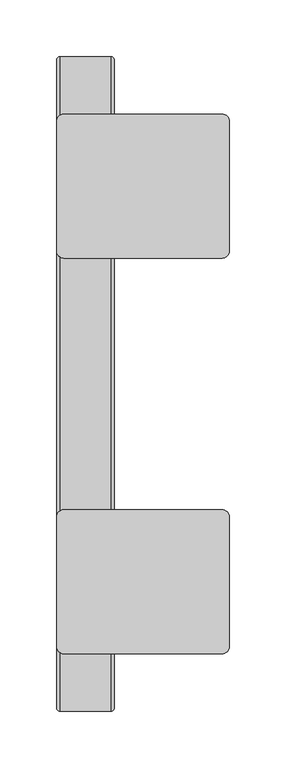
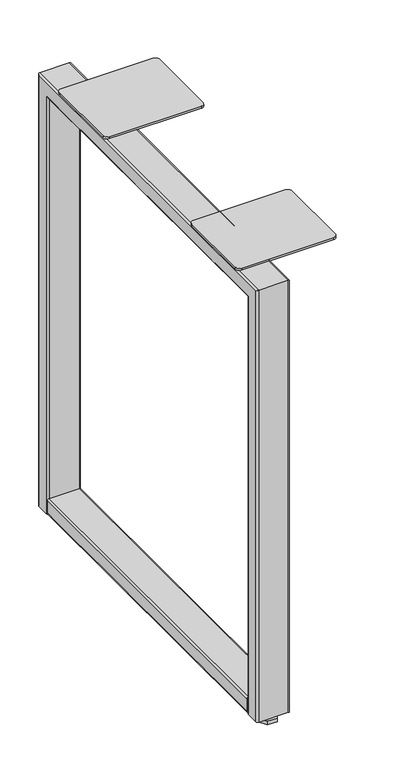
"""IFC4 building model written with IfcOpenShell, lengths in millimetres: furniture geometry."""

from ifc_helpers import new_model, si_unit, point, frame, frame_2d, origin, origin_with_axes, place, context, project, spatial, polyline, circle_curve, ellipse_curve, trimmed, segment, composite_curve, outline, extrude, source, transform, mapped, element, save
from ifc_brep_helpers import plane_surface, cylinder_surface, advanced_brep


def furniture_c27c7276(model_context):
    return source(origin(), model_context, "Body", "SolidModel", [
        extrude(outline(polyline([(37.813262, -592.0946294), (45.1465239, -604.7962117), (37.813262, -617.497794), (23.146738, -617.497794), (15.8134761, -604.7962117), (23.146738, -592.0946294), (37.813262, -592.0946294)])), origin_with_axes(), (0.0, 0.0, 1.0), 5.5879998),
        extrude(outline(polyline([(37.8123494, -46.2533875), (45.1446988, -58.9533893), (37.8123494, -71.653391), (23.1476506, -71.653391), (15.8153012, -58.9533893), (23.1476506, -46.2533875), (37.8123494, -46.2533875)])), origin_with_axes(), (0.0, 0.0, 1.0), 5.5879998),
        extrude(outline(polyline([(32.8621655, -54.8273575), (35.2443311, -58.9533893), (32.8621655, -63.079421), (28.0978345, -63.079421), (25.7156689, -58.9533893), (28.0978345, -54.8273575), (32.8621655, -54.8273575)])), origin_with_axes(), (0.0, 0.0, 1.0), 68.199153),
        extrude(outline(polyline([(32.8612504, -600.6717651), (35.2425008, -604.7962117), (32.8612504, -608.9206584), (28.0987496, -608.9206584), (25.7174992, -604.7962117), (28.0987496, -600.6717651), (32.8612504, -600.6717651)])), origin_with_axes(), (0.0, 0.0, 1.0), 68.199153),
        extrude(outline(composite_curve([segment(polyline([(37.2236999, 53.1114001), (37.2236999, 7.8485992)]), True, "CONTINUOUS"), segment(trimmed(circle_curve(frame_2d((34.4551008, 7.8485992)), 2.7685992), [point((37.2236999, 7.8485992))], [point((34.4551008, 5.08))], False, "CARTESIAN"), True, "CONTINUOUS"), segment(polyline([(34.4551008, 5.08), (14.5922995, 5.08)]), True, "CONTINUOUS"), segment(trimmed(circle_curve(frame_2d((14.5922995, 7.8485992)), 2.7685992), [point((14.5922995, 5.08))], [point((11.8237003, 7.8485992))], False, "CARTESIAN"), True, "CONTINUOUS"), segment(polyline([(11.8237003, 7.8485992), (11.8237003, 53.111432)]), True, "CONTINUOUS"), segment(trimmed(circle_curve(frame_2d((14.5922684, 53.111432)), 2.768568), [point((11.8237003, 53.111432))], [point((14.5922684, 55.88))], False, "CARTESIAN"), True, "CONTINUOUS"), segment(polyline([(14.5922684, 55.88), (34.4551, 55.88)]), True, "CONTINUOUS"), segment(trimmed(circle_curve(frame_2d((34.4551, 53.1114001)), 2.7685999), [point((34.4551, 55.88))], [point((37.2236999, 53.1114001))], False, "CARTESIAN"), True, "CONTINUOUS")], self_intersect=False)), frame((0.0, -595.1474, 0.0), z_axis=(0.0, 1.0, 0.0), x_axis=(0.0, 0.0, 1.0)), (0.0, 0.0, 1.0), 526.542),
        advanced_brep(
        [(7.8485901, -620.8014, 11.8237003), (5.08, -618.0328099, 11.8237003), (5.08, -598.1700098, 11.8237003), (7.8486105, -595.4013992, 11.8237003), (53.1114046, -595.4013992, 11.8237003), (55.8799992, -598.1699939, 11.8237003), (55.8800083, -618.0328236, 11.8237003), (53.111432, -620.8014, 11.8237003), (7.8485901, -620.8014, 707.7956896), (5.08, -618.0328099, 705.0270995), (5.08, -45.7199901, 705.0270995), (5.08, -45.7199901, 11.8237003), (5.08, -65.5827902, 11.8237003), (5.08, -65.5827902, 685.1642994), (5.08, -598.1700098, 685.1642994), (7.8486105, -595.4013992, 682.3956889), (53.1114046, -595.4013992, 682.3956889), (55.8799992, -598.1699939, 685.1642835), (55.8800083, -65.5827993, 685.1642903), (55.8800083, -65.5827993, 11.8237003), (55.8800083, -45.7199764, 11.8237003), (55.8800083, -45.7199764, 705.0271132), (55.8800083, -618.0328236, 705.0271132), (53.111432, -620.8014, 707.7956896), (7.8485901, -42.9514, 707.7956896), (7.8486105, -68.3514008, 682.3956889), (53.1114046, -68.3514008, 682.3956889), (53.111432, -42.9514, 707.7956896), (7.8485901, -42.9514, 11.8237003), (53.111432, -42.9514, 11.8237003), (53.1114046, -68.3514008, 11.8237003), (7.8486105, -68.3514008, 11.8237003)],
        [
            (0, 1, circle_curve(frame((7.8485901, -618.0328099, 11.8237003), z_axis=(0.0, 0.0, -1.0), x_axis=(1.0, 0.0, 0.0)), 2.7685901)),
            (1, 2),
            (2, 3, circle_curve(frame((7.8486105, -598.1700098, 11.8237003), z_axis=(0.0, 0.0, -1.0), x_axis=(1.0, 0.0, 0.0)), 2.7686105)),
            (3, 4),
            (4, 5, circle_curve(frame((53.1114046, -598.1699939, 11.8237003), z_axis=(0.0, 0.0, -1.0), x_axis=(1.0, 0.0, 0.0)), 2.7685946)),
            (5, 6),
            (6, 7, circle_curve(frame((53.111432, -618.0328236, 11.8237003), z_axis=(0.0, 0.0, -1.0), x_axis=(1.0, 0.0, 0.0)), 2.7685764)),
            (7, 0),
            (0, 8),
            (8, 9, ellipse_curve(frame((7.8485901, -618.0328099, 705.0270995), z_axis=(0.0, -0.7071067811865476, -0.7071067811865475), x_axis=(0.0, 0.7071067811865474, -0.7071067811865476)), 3.9153777, 2.7685901)),
            (9, 1),
            (9, 10),
            (10, 11),
            (11, 12),
            (12, 13),
            (13, 14),
            (14, 2),
            (14, 15, ellipse_curve(frame((7.8486105, -598.1700098, 685.1642994), z_axis=(0.0, -0.7071067811865476, -0.7071067811865475), x_axis=(0.0, 0.7071067811865474, -0.7071067811865476)), 3.9154066, 2.7686105)),
            (15, 3),
            (15, 16),
            (16, 4),
            (16, 17, ellipse_curve(frame((53.1114046, -598.1699939, 685.1642835), z_axis=(0.0, -0.7071067811865476, -0.7071067811865475), x_axis=(0.0, 0.7071067811865474, -0.7071067811865476)), 3.9153841, 2.7685946)),
            (17, 5),
            (17, 18),
            (18, 19),
            (19, 20),
            (20, 21),
            (21, 22),
            (22, 6),
            (22, 23, ellipse_curve(frame((53.111432, -618.0328236, 705.0271132), z_axis=(0.0, -0.7071067811865476, -0.7071067811865475), x_axis=(0.0, 0.7071067811865474, -0.7071067811865476)), 3.9153583, 2.7685764)),
            (23, 7),
            (23, 8),
            (8, 24),
            (24, 10, ellipse_curve(frame((7.8485901, -45.7199901, 705.0270995), z_axis=(0.0, -0.7071067811865649, 0.70710678118653), x_axis=(0.0, -0.7071067811865303, -0.7071067811865648)), 3.9153777, 2.7685901)),
            (13, 25, ellipse_curve(frame((7.8486105, -65.5827902, 685.1642994), z_axis=(0.0, -0.7071067811865649, 0.70710678118653), x_axis=(0.0, -0.7071067811865303, -0.7071067811865648)), 3.9154066, 2.7686105)),
            (25, 15),
            (25, 26),
            (26, 16),
            (26, 18, ellipse_curve(frame((53.1114046, -65.5828061, 685.1642835), z_axis=(0.0, -0.7071067811865649, 0.70710678118653), x_axis=(0.0, -0.7071067811865303, -0.7071067811865648)), 3.9153841, 2.7685946)),
            (21, 27, ellipse_curve(frame((53.111432, -45.7199764, 705.0271132), z_axis=(0.0, -0.7071067811865649, 0.70710678118653), x_axis=(0.0, -0.7071067811865303, -0.7071067811865648)), 3.9153583, 2.7685764)),
            (27, 23),
            (27, 24),
            (28, 29),
            (29, 20, circle_curve(frame((53.111432, -45.7199764, 11.8237003), z_axis=(0.0, 0.0, -1.0), x_axis=(1.0, 0.0, 0.0)), 2.7685764)),
            (19, 30, circle_curve(frame((53.1114046, -65.5828061, 11.8237003), z_axis=(0.0, 0.0, -1.0), x_axis=(1.0, 0.0, 0.0)), 2.7685946)),
            (30, 31),
            (31, 12, circle_curve(frame((7.8486105, -65.5827902, 11.8237003), z_axis=(0.0, 0.0, -1.0), x_axis=(1.0, 0.0, 0.0)), 2.7686105)),
            (11, 28, circle_curve(frame((7.8485901, -45.7199901, 11.8237003), z_axis=(0.0, 0.0, -1.0), x_axis=(1.0, 0.0, 0.0)), 2.7685901)),
            (24, 28),
            (31, 25),
            (30, 26),
            (29, 27),
        ],
        [
            plane_surface(frame((5.08, -620.8014, 11.8237003), z_axis=(0.0, 0.0, -1.0), x_axis=(1.0, 0.0, 0.0))),
            cylinder_surface(frame((7.8485901, -618.0328099, 11.8237003), z_axis=(0.0, 0.0, -1.0), x_axis=(1.0, 0.0, 0.0)), 2.7685901),
            plane_surface(frame((5.08, -618.0328099, 11.8237003), z_axis=(-1.0, 0.0, 0.0), x_axis=(0.0, 0.0, 1.0))),
            cylinder_surface(frame((7.8486105, -598.1700098, 11.8237003), z_axis=(0.0, 0.0, -1.0), x_axis=(1.0, 0.0, 0.0)), 2.7686105),
            plane_surface(frame((7.8486105, -595.4013992, 11.8237003), z_axis=(0.0, 1.0, 0.0), x_axis=(0.0, 0.0, 1.0))),
            cylinder_surface(frame((53.1114046, -598.1699939, 11.8237003), z_axis=(0.0, 0.0, -1.0), x_axis=(1.0, 0.0, 0.0)), 2.7685946),
            plane_surface(frame((55.8800083, -598.1700007, 11.8237003), z_axis=(1.0, 0.0, 0.0), x_axis=(0.0, 0.0, 1.0))),
            cylinder_surface(frame((53.111432, -618.0328236, 11.8237003), z_axis=(0.0, 0.0, -1.0), x_axis=(1.0, 0.0, 0.0)), 2.7685764),
            plane_surface(frame((53.111432, -620.8014, 11.8237003), z_axis=(0.0, -1.0, 0.0), x_axis=(0.0, 0.0, 1.0))),
            cylinder_surface(frame((7.8485901, -620.8014, 705.0270995), z_axis=(0.0, -1.0, 0.0), x_axis=(1.0, 0.0, 0.0)), 2.7685901),
            cylinder_surface(frame((7.8486105, -620.8014, 685.1642994), z_axis=(0.0, -1.0, 0.0), x_axis=(1.0, 0.0, 0.0)), 2.7686105),
            plane_surface(frame((7.8486105, -595.4013992, 682.3956889), z_axis=(0.0, 0.0, -1.0), x_axis=(0.0, 1.0, 0.0))),
            cylinder_surface(frame((53.1114046, -620.8014, 685.1642835), z_axis=(0.0, -1.0, 0.0), x_axis=(1.0, 0.0, 0.0)), 2.7685946),
            cylinder_surface(frame((53.111432, -620.8014, 705.0271132), z_axis=(0.0, -1.0, 0.0), x_axis=(1.0, 0.0, 0.0)), 2.7685764),
            plane_surface(frame((53.111432, -620.8014, 707.7956896), z_axis=(0.0, 0.0, 1.0), x_axis=(0.0, 1.0, 0.0))),
            plane_surface(frame((5.08, -42.9514, 11.8237003), z_axis=(0.0, 0.0, -1.0), x_axis=(1.0, 0.0, 0.0))),
            cylinder_surface(frame((7.8485901, -45.7199901, 707.7956896), z_axis=(0.0, 0.0, 1.0), x_axis=(1.0, 0.0, 0.0)), 2.7685901),
            cylinder_surface(frame((7.8486105, -65.5827902, 707.7956896), z_axis=(0.0, 0.0, 1.0), x_axis=(1.0, 0.0, 0.0)), 2.7686105),
            plane_surface(frame((7.8486105, -68.3514008, 682.3956889), z_axis=(0.0, -1.0, 0.0), x_axis=(0.0, 0.0, -1.0))),
            cylinder_surface(frame((53.1114046, -65.5828061, 707.7956896), z_axis=(0.0, 0.0, 1.0), x_axis=(1.0, 0.0, 0.0)), 2.7685946),
            cylinder_surface(frame((53.111432, -45.7199764, 707.7956896), z_axis=(0.0, 0.0, 1.0), x_axis=(1.0, 0.0, 0.0)), 2.7685764),
            plane_surface(frame((53.111432, -42.9514, 707.7956896), z_axis=(0.0, 1.0, 0.0), x_axis=(0.0, 0.0, -1.0))),
        ],
        [
            (0, [[1, 2, 3, 4, 5, 6, 7, 8]]),
            (1, [[-1, 9, 10, 11]]),
            (2, [[-2, -11, 12, 13, 14, 15, 16, 17]]),
            (3, [[-3, -17, 18, 19]]),
            (4, [[-4, -19, 20, 21]]),
            (5, [[-5, -21, 22, 23]]),
            (6, [[-6, -23, 24, 25, 26, 27, 28, 29]]),
            (7, [[-7, -29, 30, 31]]),
            (8, [[-8, -31, 32, -9]]),
            (9, [[-10, 33, 34, -12]]),
            (10, [[-18, -16, 35, 36]]),
            (11, [[-20, -36, 37, 38]]),
            (12, [[-22, -38, 39, -24]]),
            (13, [[-30, -28, 40, 41]]),
            (14, [[-32, -41, 42, -33]]),
            (15, [[43, 44, -26, 45, 46, 47, -14, 48]]),
            (16, [[-34, 49, -48, -13]]),
            (17, [[-35, -15, -47, 50]]),
            (18, [[-37, -50, -46, 51]]),
            (19, [[-39, -51, -45, -25]]),
            (20, [[-40, -27, -44, 52]]),
            (21, [[-42, -52, -43, -49]]),
        ],
    ),
        extrude(outline(composite_curve([segment(polyline([(5.08, -563.6831767), (5.08, -449.3196735)]), True, "CONTINUOUS"), segment(trimmed(circle_curve(frame_2d((11.3982735, -449.3196735)), 6.3182735), [point((5.08, -449.3196735))], [point((11.3982735, -443.0014))], False, "CARTESIAN"), True, "CONTINUOUS"), segment(polyline([(11.3982735, -443.0014), (151.0982061, -443.0014)]), True, "CONTINUOUS"), segment(trimmed(circle_curve(frame_2d((151.0982061, -449.3513758)), 6.3499758), [point((151.0982061, -443.0014))], [point((157.4481819, -449.3513758))], False, "CARTESIAN"), True, "CONTINUOUS"), segment(polyline([(157.4481819, -449.3513758), (157.4481819, -563.6514426)]), True, "CONTINUOUS"), segment(trimmed(circle_curve(frame_2d((151.0982245, -563.6514426)), 6.3499574), [point((157.4481819, -563.6514426))], [point((151.0982245, -570.0014))], False, "CARTESIAN"), True, "CONTINUOUS"), segment(polyline([(151.0982245, -570.0014), (11.3982233, -570.0014)]), True, "CONTINUOUS"), segment(trimmed(circle_curve(frame_2d((11.3982233, -563.6831767)), 6.3182233), [point((11.3982233, -570.0014))], [point((5.08, -563.6831767))], False, "CARTESIAN"), True, "CONTINUOUS")], self_intersect=False)), frame((0.0, 0.0, 707.7956896), z_axis=(0.0, 0.0, 1.0), x_axis=(1.0, 0.0, 0.0)), (0.0, 0.0, 1.0), 3.4036),
        extrude(outline(composite_curve([segment(polyline([(5.08, -215.036312), (5.08, -100.0695288)]), True, "CONTINUOUS"), segment(trimmed(circle_curve(frame_2d((11.3981273, -100.0695288)), 6.3181273), [point((5.08, -100.0695288))], [point((11.3981273, -93.7514015))], False, "CARTESIAN"), True, "CONTINUOUS"), segment(polyline([(11.3981273, -93.7514015), (151.0982297, -93.7514015)]), True, "CONTINUOUS"), segment(trimmed(circle_curve(frame_2d((151.0982297, -100.1013537)), 6.3499522), [point((151.0982297, -93.7514015))], [point((157.4481819, -100.1013537))], False, "CARTESIAN"), True, "CONTINUOUS"), segment(polyline([(157.4481819, -100.1013537), (157.4481819, -214.4014818)]), True, "CONTINUOUS"), segment(trimmed(circle_curve(frame_2d((151.0982697, -214.4014818)), 6.3499122), [point((157.4481819, -214.4014818))], [point((151.0982697, -220.7513939))], False, "CARTESIAN"), True, "CONTINUOUS"), segment(polyline([(151.0982697, -220.7513939), (11.3981781, -220.7513939)]), True, "CONTINUOUS"), segment(trimmed(circle_curve(frame_2d((11.3981781, -214.4013943)), 6.3499996), [point((11.3981781, -220.7513939))], [point((5.08, -215.036312))], False, "CARTESIAN"), True, "CONTINUOUS")], self_intersect=False)), frame((0.0, 0.0, 707.7956896), z_axis=(0.0, 0.0, 1.0), x_axis=(1.0, 0.0, 0.0)), (0.0, 0.0, 1.0), 3.4036),
    ])


if __name__ == "__main__":
    model = new_model("IFC4")
    model_context = context("Model", 3, world=origin())
    ifc_project = project(units=[si_unit("LENGTHUNIT", "METRE", prefix="MILLI")], contexts=[model_context])
    site = spatial("IfcSite", under=ifc_project)
    building = spatial("IfcBuilding", under=site)
    placement = place(None, origin())
    furniture_shape = furniture_c27c7276(model_context)
    element("IfcFurniture", 1, at=placement, inside=building, context=model_context, shape_type="MappedRepresentation", body=[
        mapped(furniture_shape, transform((0.0, 0.0, 0.0), x_axis=(1.0, 0.0, 0.0), y_axis=(0.0, 1.0, 0.0), z_axis=(0.0, 0.0, 1.0))),
    ])
    save(model, "model.ifc")
